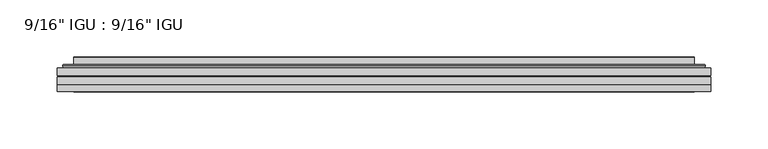
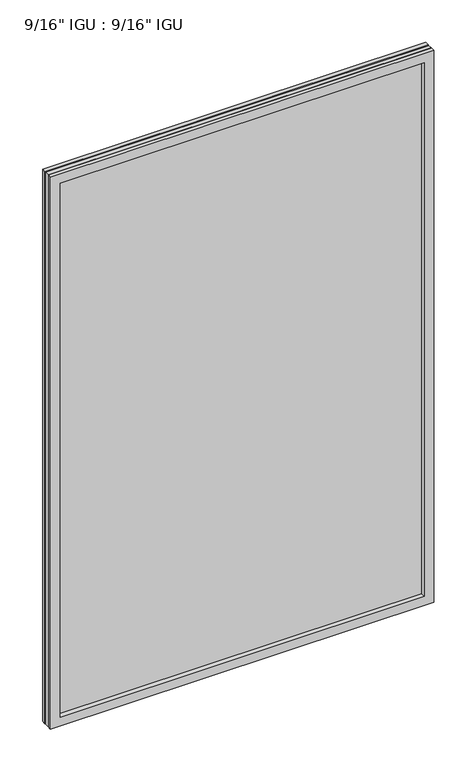
"""IFC4 building model written with IfcOpenShell, lengths in millimetres: plate geometry."""

from ifc_helpers import new_model, si_unit, frame, origin, place, context, project, spatial, polyline, ellipse_curve, outline, extrude, faceted_brep, source, transform, mapped, element, save
from ifc_brep_helpers import plane_surface, cylinder_surface, advanced_brep


def plate_8c6c4db2(model_context):
    return source(origin(), model_context, "Body", "SolidModel", [
        extrude(outline(polyline([(285.764175, -54.78145), (285.764175, -61.1317818), (-285.75, -61.1317818), (-285.75, -54.78145), (285.764175, -54.78145)])), frame((0.0, 0.0, -14.2875), z_axis=(0.0, 0.0, 1.0), x_axis=(1.0, 0.0, 0.0)), (0.0, 0.0, 1.0), 869.9537979),
        extrude(outline(polyline([(-285.75, -69.05625), (-285.75, -62.705745), (285.764175, -62.705745), (285.764175, -69.05625), (-285.75, -69.05625)])), frame((0.0, 0.0, -14.2875), z_axis=(0.0, 0.0, 1.0), x_axis=(1.0, 0.0, 0.0)), (0.0, 0.0, 1.0), 869.9537979),
        faceted_brep([(-285.7627, -75.40625, 855.6752), (-285.7627, -69.05625, 855.6752), (-285.7627, -69.05625, -14.3002), (-285.7627, -75.40625, -14.3002), (285.7627, -69.05625, -14.3002), (285.7627, -75.40625, -14.3002), (285.7627, -69.05625, 855.6752), (285.7627, -75.40625, 855.6752), (-270.5647559, -69.05625, 0.8977441), (270.5647559, -69.05625, 0.8977441), (270.5647559, -69.05625, 840.4772559), (-270.5647559, -69.05625, 840.4772559), (-271.4571902, -75.40625, 841.3696902), (271.4571902, -75.40625, 841.3696902), (271.4571902, -75.40625, 0.0053098), (-271.4571902, -75.40625, 0.0053098)], [[[0, 1, 2, 3]], [[3, 2, 4, 5]], [[5, 4, 6, 7]], [[1, 6, 4, 2], [8, 9, 10, 11]], [[7, 6, 1, 0]], [[3, 5, 7, 0], [12, 13, 14, 15]], [[11, 12, 15, 8]], [[8, 15, 14, 9]], [[9, 14, 13, 10]], [[10, 13, 12, 11]]]),
        advanced_brep(
        [(-278.508719, -54.78145, 848.421219), (-280.8629244, -52.7917833, 850.7754244), (-280.8629244, -52.7917833, -9.4004244), (-278.508719, -54.78145, -7.046219), (-269.4343939, -50.941413, 839.3468939), (-264.4995621, -54.78145, 834.4120621), (-264.4995621, -54.78145, 6.9629379), (-269.4343939, -50.941413, 2.0281061), (-270.4664217, -45.5441819, 840.3789217), (-270.4664217, -45.5441819, 0.9960783), (-271.4570784, -45.1452069, 841.3695784), (-271.4570784, -45.1452069, 0.0054216), (-271.4570784, -51.60645, 841.3695784), (-271.4570784, -51.60645, 0.0054216), (-279.8611349, -51.60645, 849.7736349), (-279.8611349, -51.60645, -8.3986349), (280.8629244, -52.7917833, -9.4004244), (278.508719, -54.78145, -7.046219), (264.4995621, -54.78145, 6.9629379), (269.4343939, -50.941413, 2.0281061), (270.4664217, -45.5441819, 0.9960783), (271.4570784, -45.1452069, 0.0054216), (271.4570784, -51.60645, 0.0054216), (279.8611349, -51.60645, -8.3986349), (280.8629244, -52.7917833, 850.7754244), (278.508719, -54.78145, 848.421219), (264.4995621, -54.78145, 834.4120621), (269.4343939, -50.941413, 839.3468939), (270.4664217, -45.5441819, 840.3789217), (271.4570784, -45.1452069, 841.3695784), (271.4570784, -51.60645, 841.3695784), (279.8611349, -51.60645, 849.7736349)],
        [
            (0, 1, ellipse_curve(frame((-278.508719, -52.39385, 848.421219), z_axis=(-0.7071067811865475, 0.0, -0.7071067811865475), x_axis=(-0.7071067811865474, 0.0, 0.7071067811865476)), 3.3765763, 2.3876)),
            (1, 2),
            (2, 3, ellipse_curve(frame((-278.508719, -52.39385, -7.046219), z_axis=(-0.7071067811865475, 0.0, 0.7071067811865475), x_axis=(0.7071067811865474, 0.0, 0.7071067811865476)), 3.3765763, 2.3876)),
            (3, 0),
            (4, 5),
            (5, 6),
            (6, 7),
            (7, 4),
            (8, 4),
            (7, 9),
            (9, 8),
            (10, 8, ellipse_curve(frame((-271.0901219, -45.6634423, 841.0026219), z_axis=(-0.7071067811865475, 0.0, -0.7071067811865475), x_axis=(-0.7071067811865474, 0.0, 0.7071067811865476)), 0.8980256, 0.635)),
            (9, 11, ellipse_curve(frame((-271.0901219, -45.6634423, 0.3723781), z_axis=(-0.7071067811865475, 0.0, 0.7071067811865475), x_axis=(0.7071067811865474, 0.0, 0.7071067811865476)), 0.8980256, 0.635)),
            (11, 10),
            (12, 10),
            (11, 13),
            (13, 12),
            (1, 14, ellipse_curve(frame((-279.8611349, -52.62245, 849.7736349), z_axis=(-0.7071067811865475, 0.0, -0.7071067811865475), x_axis=(-0.7071067811865474, 0.0, 0.7071067811865476)), 1.436841, 1.016)),
            (14, 15),
            (15, 2, ellipse_curve(frame((-279.8611349, -52.62245, -8.3986349), z_axis=(-0.7071067811865475, 0.0, 0.7071067811865475), x_axis=(0.7071067811865474, 0.0, 0.7071067811865476)), 1.436841, 1.016)),
            (2, 16),
            (16, 17, ellipse_curve(frame((278.508719, -52.39385, -7.046219), z_axis=(-0.7071067811865475, 0.0, -0.7071067811865475), x_axis=(-0.7071067811865476, 0.0, 0.7071067811865474)), 3.3765763, 2.3876)),
            (17, 3),
            (6, 18),
            (18, 19),
            (19, 7),
            (19, 20),
            (20, 9),
            (20, 21, ellipse_curve(frame((271.0901219, -45.6634423, 0.3723781), z_axis=(-0.7071067811865475, 0.0, -0.7071067811865475), x_axis=(-0.7071067811865476, 0.0, 0.7071067811865474)), 0.8980256, 0.635)),
            (21, 11),
            (21, 22),
            (22, 13),
            (15, 23),
            (23, 16, ellipse_curve(frame((279.8611349, -52.62245, -8.3986349), z_axis=(-0.7071067811865475, 0.0, -0.7071067811865475), x_axis=(-0.7071067811865476, 0.0, 0.7071067811865474)), 1.436841, 1.016)),
            (16, 24),
            (24, 25, ellipse_curve(frame((278.508719, -52.39385, 848.421219), z_axis=(0.7071067811865475, 0.0, -0.7071067811865475), x_axis=(-0.7071067811865474, 0.0, -0.7071067811865476)), 3.3765763, 2.3876)),
            (25, 17),
            (18, 26),
            (26, 27),
            (27, 19),
            (27, 28),
            (28, 20),
            (28, 29, ellipse_curve(frame((271.0901219, -45.6634423, 841.0026219), z_axis=(0.7071067811865475, 0.0, -0.7071067811865475), x_axis=(-0.7071067811865474, 0.0, -0.7071067811865476)), 0.8980256, 0.635)),
            (29, 21),
            (29, 30),
            (30, 22),
            (23, 31),
            (31, 24, ellipse_curve(frame((279.8611349, -52.62245, 849.7736349), z_axis=(0.7071067811865475, 0.0, -0.7071067811865475), x_axis=(-0.7071067811865474, 0.0, -0.7071067811865476)), 1.436841, 1.016)),
            (24, 1),
            (0, 25),
            (5, 26),
            (4, 27),
            (8, 28),
            (10, 29),
            (12, 30),
            (14, 31),
        ],
        [
            cylinder_surface(frame((-278.508719, -52.39385, 873.125), z_axis=(0.0, 0.0, 1.0), x_axis=(-1.0, 0.0, 0.0)), 2.3876),
            plane_surface(frame((-264.4995621, -54.78145, 834.4120621), z_axis=(0.6141233906514794, 0.7892100234124821, 0.0), x_axis=(0.0, 0.0, -1.0))),
            plane_surface(frame((-269.4343939, -50.941413, 839.3468939), z_axis=(0.9822050625507728, 0.18781164793386085, 0.0), x_axis=(0.0, 0.0, -1.0))),
            cylinder_surface(frame((-271.0901219, -45.6634423, 873.125), z_axis=(0.0, 0.0, 1.0), x_axis=(-1.0, 0.0, 0.0)), 0.635),
            plane_surface(frame((-271.4570784, -45.1452069, 841.3695784), z_axis=(-1.0, 0.0, 0.0), x_axis=(0.0, 0.0, -1.0))),
            cylinder_surface(frame((-279.8611349, -52.62245, 873.125), z_axis=(0.0, 0.0, 1.0), x_axis=(-1.0, 0.0, 0.0)), 1.016),
            cylinder_surface(frame((-303.2125, -52.39385, -7.046219), z_axis=(-1.0, 0.0, 0.0), x_axis=(0.0, 0.0, -1.0)), 2.3876),
            plane_surface(frame((-264.4995621, -54.78145, 6.9629379), z_axis=(0.0, 0.7892100234124841, 0.6141233906514768), x_axis=(1.0, 0.0, 0.0))),
            plane_surface(frame((-269.4343939, -50.941413, 2.0281061), z_axis=(0.0, 0.18781164793386404, 0.9822050625507722), x_axis=(1.0, 0.0, 0.0))),
            cylinder_surface(frame((-303.2125, -45.6634423, 0.3723781), z_axis=(-1.0, 0.0, 0.0), x_axis=(0.0, 0.0, -1.0)), 0.635),
            plane_surface(frame((-271.4570784, -45.1452069, 0.0054216), z_axis=(0.0, 0.0, -1.0), x_axis=(1.0, 0.0, 0.0))),
            cylinder_surface(frame((-303.2125, -52.62245, -8.3986349), z_axis=(-1.0, 0.0, 0.0), x_axis=(0.0, 0.0, -1.0)), 1.016),
            cylinder_surface(frame((278.508719, -52.39385, -31.75), z_axis=(0.0, 0.0, -1.0), x_axis=(1.0, 0.0, 0.0)), 2.3876),
            plane_surface(frame((264.4995621, -54.78145, 6.9629379), z_axis=(-0.6141233906514743, 0.7892100234124861, 0.0), x_axis=(0.0, 0.0, 1.0))),
            plane_surface(frame((269.4343939, -50.941413, 2.0281061), z_axis=(-0.9822050625507717, 0.18781164793386723, 0.0), x_axis=(0.0, 0.0, 1.0))),
            cylinder_surface(frame((271.0901219, -45.6634423, -31.75), z_axis=(0.0, 0.0, -1.0), x_axis=(1.0, 0.0, 0.0)), 0.635),
            plane_surface(frame((271.4570784, -45.1452069, 0.0054216), z_axis=(1.0, 0.0, 0.0), x_axis=(0.0, 0.0, 1.0))),
            cylinder_surface(frame((279.8611349, -52.62245, -31.75), z_axis=(0.0, 0.0, -1.0), x_axis=(1.0, 0.0, 0.0)), 1.016),
            cylinder_surface(frame((303.2125, -52.39385, 848.421219), z_axis=(1.0, 0.0, 0.0), x_axis=(0.0, 0.0, 1.0)), 2.3876),
            plane_surface(frame((278.508719, -54.78145, 848.421219), z_axis=(0.0, -1.0, 0.0), x_axis=(-1.0, 0.0, 0.0))),
            plane_surface(frame((264.4995621, -54.78145, 834.4120621), z_axis=(0.0, 0.7892100234124841, -0.6141233906514768), x_axis=(-1.0, 0.0, 0.0))),
            plane_surface(frame((269.4343939, -50.941413, 839.3468939), z_axis=(0.0, 0.18781164793386404, -0.9822050625507722), x_axis=(-1.0, 0.0, 0.0))),
            cylinder_surface(frame((303.2125, -45.6634423, 841.0026219), z_axis=(1.0, 0.0, 0.0), x_axis=(0.0, 0.0, 1.0)), 0.635),
            plane_surface(frame((271.4570784, -45.1452069, 841.3695784), z_axis=(0.0, 0.0, 1.0), x_axis=(-1.0, 0.0, 0.0))),
            plane_surface(frame((271.4570784, -51.60645, 841.3695784), z_axis=(0.0, 1.0, 0.0), x_axis=(-1.0, 0.0, 0.0))),
            cylinder_surface(frame((303.2125, -52.62245, 849.7736349), z_axis=(1.0, 0.0, 0.0), x_axis=(0.0, 0.0, 1.0)), 1.016),
        ],
        [
            (0, [[1, 2, 3, 4]]),
            (1, [[5, 6, 7, 8]]),
            (2, [[9, -8, 10, 11]]),
            (3, [[12, -11, 13, 14]]),
            (4, [[15, -14, 16, 17]]),
            (5, [[18, 19, 20, -2]]),
            (6, [[-3, 21, 22, 23]]),
            (7, [[-7, 24, 25, 26]]),
            (8, [[-10, -26, 27, 28]]),
            (9, [[-13, -28, 29, 30]]),
            (10, [[-16, -30, 31, 32]]),
            (11, [[-20, 33, 34, -21]]),
            (12, [[-22, 35, 36, 37]]),
            (13, [[-25, 38, 39, 40]]),
            (14, [[-27, -40, 41, 42]]),
            (15, [[-29, -42, 43, 44]]),
            (16, [[-31, -44, 45, 46]]),
            (17, [[-34, 47, 48, -35]]),
            (18, [[-36, 49, -1, 50]]),
            (19, [[-23, -37, -50, -4], [51, -38, -24, -6]]),
            (20, [[-39, -51, -5, 52]]),
            (21, [[-41, -52, -9, 53]]),
            (22, [[-43, -53, -12, 54]]),
            (23, [[-45, -54, -15, 55]]),
            (24, [[56, -47, -33, -19], [-32, -46, -55, -17]]),
            (25, [[-48, -56, -18, -49]]),
        ],
    ),
    ])


if __name__ == "__main__":
    model = new_model("IFC4")
    model_context = context("Model", 3, world=origin())
    ifc_project = project(units=[si_unit("LENGTHUNIT", "METRE", prefix="MILLI")], contexts=[model_context])
    site = spatial("IfcSite", under=ifc_project)
    building = spatial("IfcBuilding", under=site)
    placement = place(None, origin())
    plate_shape = plate_8c6c4db2(model_context)
    element("IfcPlate", 1, ObjectType="9/16\" IGU : 9/16\" IGU", at=placement, inside=building, context=model_context, shape_type="MappedRepresentation", body=[
        mapped(plate_shape, transform((0.0, 0.0, 0.0), x_axis=(1.0, 0.0, 0.0), y_axis=(0.0, 1.0, 0.0), z_axis=(0.0, 0.0, 1.0))),
    ])
    save(model, "model.ifc")
